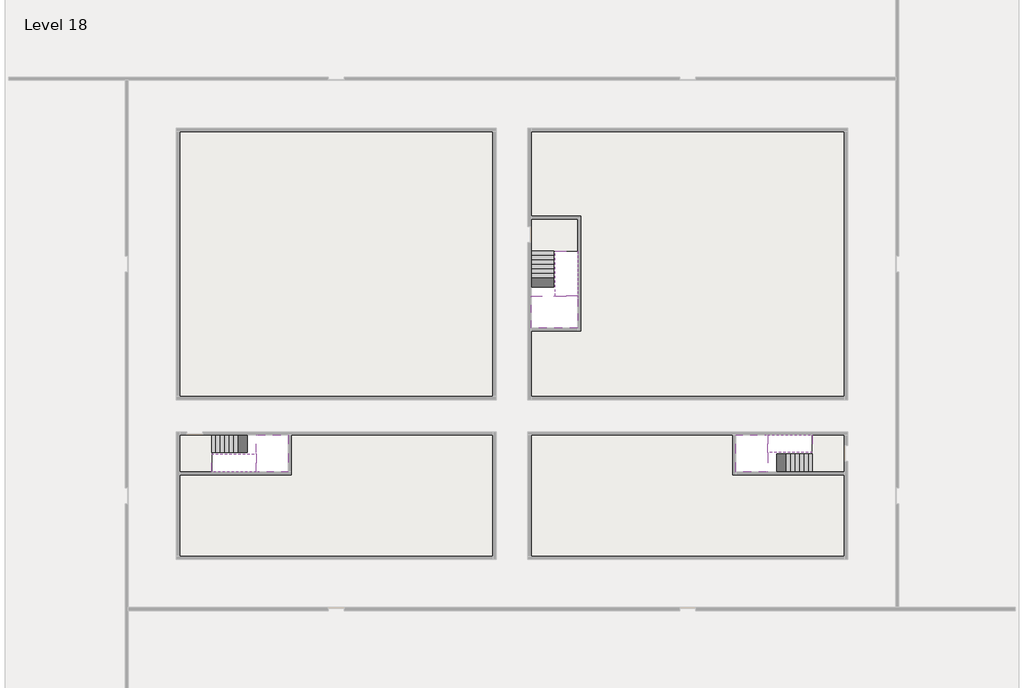
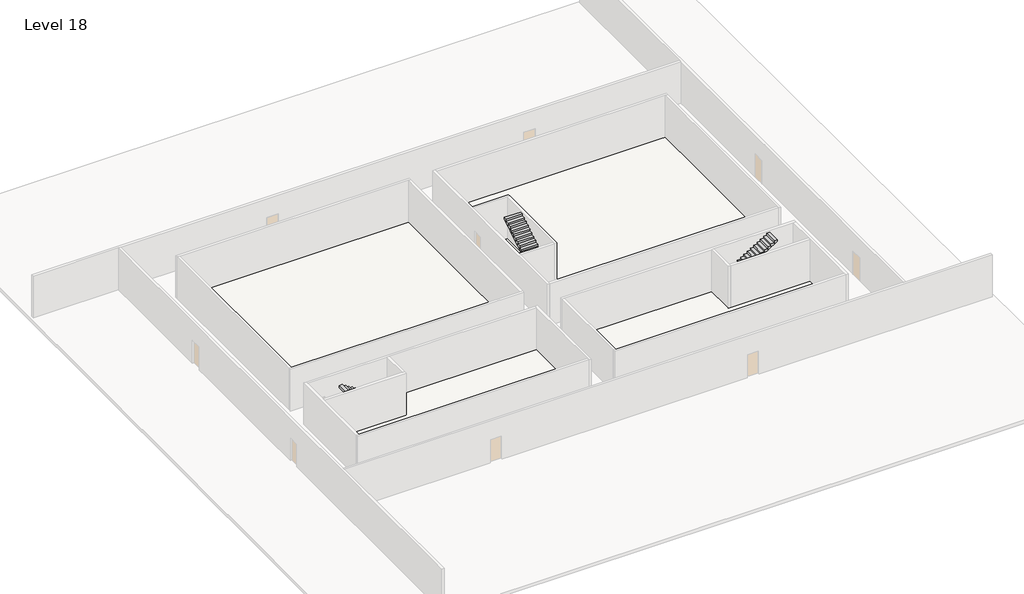
# One storey, part 2 of 2: 6 stair flights, 5 slabs.
"""IFC4 building model written with IfcOpenShell, lengths in millimetres."""

from ifc_helpers import new_model, si_unit, frame, origin, place, context, project, spatial, polyline, outline, extrude, faceted_brep, element, save

model = new_model("IFC4")

# Units and contexts
model_context = context("Model", 3, world=origin())
ifc_project = project(units=[si_unit("LENGTHUNIT", "METRE", prefix="MILLI")], contexts=[model_context])

# Site, building, storey
site = spatial("IfcSite", under=ifc_project)
building = spatial("IfcBuilding", under=site)
storey = spatial("IfcBuildingStorey", under=building, Name="Level 18", Elevation=64600.0)

# Slabs
placement = place(None, origin())
element("IfcSlab", 1, at=placement, inside=storey, context=model_context, shape_type="Brep", body=[
    faceted_brep([(8190.1058784, -42918.09644, 66500.0), (8190.1058784, -44018.09644, 66500.0), (8190.1058784, -44118.09644, 66500.0), (8190.1058784, -45218.09644, 66500.0), (8390.7194421, -45218.09644, 66500.0), (10190.1058784, -45218.09644, 66500.0), (10190.1058784, -42918.09644, 66500.0), (8269.4923146, -42918.09644, 66500.0), (8190.1058784, -42918.09644, 66327.2727273), (8190.1058784, -42918.09644, 66151.0278478), (8190.1058784, -44018.09644, 66151.0278478), (8190.1058784, -44018.09644, 66200.0), (8190.1058784, -44118.09644, 66200.0), (8190.1058784, -44118.09644, 66323.7551205), (8190.1058784, -45218.09644, 66323.7551205), (8390.7194421, -45218.09644, 66200.0), (10190.1058784, -45218.09644, 66200.0), (10190.1058784, -42918.09644, 66200.0), (8269.4923146, -42918.09644, 66200.0), (8390.7194421, -44118.09644, 66200.0), (8269.4923146, -44018.09644, 66200.0)], [[[0, 1, 2, 3, 4, 5, 6, 7]], [[1, 0, 8, 9, 10, 11]], [[2, 1, 11, 12, 13]], [[3, 2, 13, 14]], [[3, 14, 15, 16, 5, 4]], [[6, 5, 16, 17]], [[9, 8, 0, 7, 6, 17, 18]], [[19, 12, 11, 20, 18, 17, 16, 15]], [[12, 19, 13]], [[18, 20, 10, 9]], [[20, 11, 10]], [[19, 15, 14, 13]]]),
])
element("IfcSlab", 2, at=placement, inside=storey, context=model_context, shape_type="Brep", body=[
    faceted_brep([(40190.1058784, -45218.09644, 66500.0), (40190.1058784, -44118.09644, 66500.0), (40190.1058784, -44018.09644, 66500.0), (40190.1058784, -42918.09644, 66500.0), (39989.4923146, -42918.09644, 66500.0), (38190.1058784, -42918.09644, 66500.0), (38190.1058784, -45218.09644, 66500.0), (40110.7194421, -45218.09644, 66500.0), (40190.1058784, -45218.09644, 66327.2727273), (40190.1058784, -45218.09644, 66151.0278478), (40190.1058784, -44118.09644, 66151.0278478), (40190.1058784, -44118.09644, 66200.0), (40190.1058784, -44018.09644, 66200.0), (40190.1058784, -44018.09644, 66323.7551205), (40190.1058784, -42918.09644, 66323.7551205), (39989.4923146, -42918.09644, 66200.0), (38190.1058784, -42918.09644, 66200.0), (38190.1058784, -45218.09644, 66200.0), (40110.7194421, -45218.09644, 66200.0), (39989.4923146, -44018.09644, 66200.0), (40110.7194421, -44118.09644, 66200.0)], [[[0, 1, 2, 3, 4, 5, 6, 7]], [[1, 0, 8, 9, 10, 11]], [[2, 1, 11, 12, 13]], [[3, 2, 13, 14]], [[3, 14, 15, 16, 5, 4]], [[6, 5, 16, 17]], [[9, 8, 0, 7, 6, 17, 18]], [[19, 12, 11, 20, 18, 17, 16, 15]], [[12, 19, 13]], [[18, 20, 10, 9]], [[20, 11, 10]], [[19, 15, 14, 13]]]),
])
element("IfcSlab", 3, at=placement, inside=storey, context=model_context, shape_type="Brep", body=[
    faceted_brep([(26790.1058784, -34218.09644, 66500.0), (25390.1058784, -34218.09644, 66500.0), (25390.1058784, -34297.4828763, 66500.0), (25390.1058784, -36218.09644, 66500.0), (28290.1058784, -36218.09644, 66500.0), (28290.1058784, -34418.7100038, 66500.0), (28290.1058784, -34218.09644, 66500.0), (26890.1058784, -34218.09644, 66500.0), (26790.1058784, -34218.09644, 66200.0), (26790.1058784, -34218.09644, 66151.0278478), (25390.1058784, -34218.09644, 66151.0278478), (25390.1058784, -34218.09644, 66327.2727273), (25390.1058784, -34297.4828763, 66200.0), (25390.1058784, -36218.09644, 66200.0), (28290.1058784, -36218.09644, 66200.0), (28290.1058784, -34418.7100038, 66200.0), (28290.1058784, -34218.09644, 66323.7551205), (26890.1058784, -34218.09644, 66323.7551205), (26890.1058784, -34218.09644, 66200.0), (26890.1058784, -34418.7100038, 66200.0), (26790.1058784, -34297.4828763, 66200.0)], [[[0, 1, 2, 3, 4, 5, 6, 7]], [[1, 0, 8, 9, 10, 11]], [[1, 11, 10, 12, 13, 3, 2]], [[4, 3, 13, 14]], [[4, 14, 15, 16, 6, 5]], [[7, 6, 16, 17]], [[0, 7, 17, 18, 8]], [[18, 19, 15, 14, 13, 12, 20, 8]], [[19, 18, 17]], [[20, 12, 10, 9]], [[8, 20, 9]], [[15, 19, 17, 16]]]),
])
element("IfcSlab", 4, at=placement, inside=storey, context=model_context, shape_type="SweptSolid", body=[
    extrude(outline(polyline([(22990.1058784, -23918.09644), (22990.1058784, -40518.09644), (3390.1058784, -40518.09644), (3390.1058784, -23918.09644), (22990.1058784, -23918.09644)])), frame((0.0, 0.0, 64300.0), z_axis=(0.0, 0.0, 1.0), x_axis=(1.0, 0.0, 0.0)), (0.0, 0.0, 1.0), 300.0),
    extrude(outline(polyline([(44990.1058784, -23918.09644), (44990.1058784, -40518.09644), (25390.1058784, -40518.09644), (25390.1058784, -36418.09644), (28490.1058784, -36418.09644), (28490.1058784, -29218.09644), (25390.1058784, -29218.09644), (25390.1058784, -23918.09644), (44990.1058784, -23918.09644)])), frame((0.0, 0.0, 64300.0), z_axis=(0.0, 0.0, 1.0), x_axis=(1.0, 0.0, 0.0)), (0.0, 0.0, 1.0), 300.0),
    extrude(outline(polyline([(22990.1058784, -42918.09644), (22990.1058784, -50518.09644), (3390.1058784, -50518.09644), (3390.1058784, -45418.09644), (10390.1058784, -45418.09644), (10390.1058784, -42918.09644), (22990.1058784, -42918.09644)])), frame((0.0, 0.0, 64300.0), z_axis=(0.0, 0.0, 1.0), x_axis=(1.0, 0.0, 0.0)), (0.0, 0.0, 1.0), 300.0),
    extrude(outline(polyline([(37990.1058784, -42918.09644), (37990.1058784, -45418.09644), (44990.1058784, -45418.09644), (44990.1058784, -50518.09644), (25390.1058784, -50518.09644), (25390.1058784, -42918.09644), (37990.1058784, -42918.09644)])), frame((0.0, 0.0, 64300.0), z_axis=(0.0, 0.0, 1.0), x_axis=(1.0, 0.0, 0.0)), (0.0, 0.0, 1.0), 300.0),
])
element("IfcSlab", 5, at=placement, inside=storey, context=model_context, shape_type="SweptSolid", body=[
    extrude(outline(polyline([(44990.1058784, -42918.09644), (44990.1058784, -45218.09644), (42990.1058784, -45218.09644), (42990.1058784, -42918.09644), (44990.1058784, -42918.09644)])), frame((0.0, 0.0, 64300.0), z_axis=(0.0, 0.0, 1.0), x_axis=(1.0, 0.0, 0.0)), (0.0, 0.0, 1.0), 300.0),
    extrude(outline(polyline([(5390.1058784, -42918.09644), (5390.1058784, -45218.09644), (3390.1058784, -45218.09644), (3390.1058784, -42918.09644), (5390.1058784, -42918.09644)])), frame((0.0, 0.0, 64300.0), z_axis=(0.0, 0.0, 1.0), x_axis=(1.0, 0.0, 0.0)), (0.0, 0.0, 1.0), 300.0),
    extrude(outline(polyline([(28290.1058784, -29418.09644), (28290.1058784, -31418.09644), (25390.1058784, -31418.09644), (25390.1058784, -29418.09644), (28290.1058784, -29418.09644)])), frame((0.0, 0.0, 64300.0), z_axis=(0.0, 0.0, 1.0), x_axis=(1.0, 0.0, 0.0)), (0.0, 0.0, 1.0), 300.0),
])

# Stair flights
element("IfcStairFlight", 6, at=placement, inside=storey, context=model_context, shape_type="Brep", body=[
    faceted_brep([(5670.1058784, -42918.09644, 64772.7272727), (5390.1058784, -42918.09644, 64772.7272727), (5390.1058784, -44018.09644, 64772.7272727), (5670.1058784, -44018.09644, 64772.7272727), (5670.1058784, -42918.09644, 64600.0), (5390.1058784, -42918.09644, 64600.0), (5390.1058784, -44018.09644, 64600.0), (5670.1058784, -44018.09644, 64600.0), (5950.1058784, -42918.09644, 64945.4545455), (5670.1058784, -42918.09644, 64945.4545455), (5670.1058784, -44018.09644, 64945.4545455), (5950.1058784, -44018.09644, 64945.4545455), (5950.1058784, -42918.09644, 64769.209666), (5675.8081041, -42918.09644, 64600.0), (5675.8081041, -44018.09644, 64600.0), (5950.1058784, -44018.09644, 64769.209666), (6230.1058784, -42918.09644, 65118.1818182), (5950.1058784, -42918.09644, 65118.1818182), (5950.1058784, -44018.09644, 65118.1818182), (6230.1058784, -44018.09644, 65118.1818182), (6230.1058784, -42918.09644, 64941.9369387), (6230.1058784, -44018.09644, 64941.9369387), (6510.1058784, -42918.09644, 65290.9090909), (6230.1058784, -42918.09644, 65290.9090909), (6230.1058784, -44018.09644, 65290.9090909), (6510.1058784, -44018.09644, 65290.9090909), (6510.1058784, -42918.09644, 65114.6642114), (6510.1058784, -44018.09644, 65114.6642114), (6790.1058784, -42918.09644, 65463.6363636), (6510.1058784, -42918.09644, 65463.6363636), (6510.1058784, -44018.09644, 65463.6363636), (6790.1058784, -44018.09644, 65463.6363636), (6790.1058784, -42918.09644, 65287.3914841), (6790.1058784, -44018.09644, 65287.3914841), (7070.1058784, -42918.09644, 65636.3636364), (6790.1058784, -42918.09644, 65636.3636364), (6790.1058784, -44018.09644, 65636.3636364), (7070.1058784, -44018.09644, 65636.3636364), (7070.1058784, -42918.09644, 65460.1187569), (7070.1058784, -44018.09644, 65460.1187569), (7350.1058784, -42918.09644, 65809.0909091), (7070.1058784, -42918.09644, 65809.0909091), (7070.1058784, -44018.09644, 65809.0909091), (7350.1058784, -44018.09644, 65809.0909091), (7350.1058784, -42918.09644, 65632.8460296), (7350.1058784, -44018.09644, 65632.8460296), (7630.1058784, -42918.09644, 65981.8181818), (7350.1058784, -42918.09644, 65981.8181818), (7350.1058784, -44018.09644, 65981.8181818), (7630.1058784, -44018.09644, 65981.8181818), (7630.1058784, -42918.09644, 65805.5733023), (7630.1058784, -44018.09644, 65805.5733023), (7910.1058784, -42918.09644, 66154.5454545), (7630.1058784, -42918.09644, 66154.5454545), (7630.1058784, -44018.09644, 66154.5454545), (7910.1058784, -44018.09644, 66154.5454545), (7910.1058784, -42918.09644, 65978.3005751), (7910.1058784, -44018.09644, 65978.3005751), (8190.1058784, -42918.09644, 66327.2727273), (7910.1058784, -42918.09644, 66327.2727273), (7910.1058784, -44018.09644, 66327.2727273), (8190.1058784, -44018.09644, 66327.2727273), (8190.1058784, -42918.09644, 66151.0278478), (8190.1058784, -44018.09644, 66151.0278478), (8190.1058784, -44018.09644, 66200.0)], [[[0, 1, 2, 3]], [[1, 0, 4, 5]], [[2, 1, 5, 6]], [[3, 2, 6, 7]], [[8, 9, 10, 11]], [[4, 0, 9, 8, 12, 13]], [[0, 3, 10, 9]], [[3, 7, 14, 15, 11, 10]], [[16, 17, 18, 19]], [[17, 16, 20, 12, 8]], [[8, 11, 18, 17]], [[19, 18, 11, 15, 21]], [[22, 23, 24, 25]], [[23, 22, 26, 20, 16]], [[16, 19, 24, 23]], [[25, 24, 19, 21, 27]], [[28, 29, 30, 31]], [[29, 28, 32, 26, 22]], [[22, 25, 30, 29]], [[31, 30, 25, 27, 33]], [[34, 35, 36, 37]], [[35, 34, 38, 32, 28]], [[28, 31, 36, 35]], [[37, 36, 31, 33, 39]], [[40, 41, 42, 43]], [[41, 40, 44, 38, 34]], [[34, 37, 42, 41]], [[43, 42, 37, 39, 45]], [[46, 47, 48, 49]], [[47, 46, 50, 44, 40]], [[40, 43, 48, 47]], [[49, 48, 43, 45, 51]], [[52, 53, 54, 55]], [[53, 52, 56, 50, 46]], [[46, 49, 54, 53]], [[55, 54, 49, 51, 57]], [[58, 59, 60, 61]], [[59, 58, 62, 56, 52]], [[52, 55, 60, 59]], [[61, 60, 55, 57, 63, 64]], [[58, 61, 64, 63, 62]], [[5, 4, 13, 14, 7, 6]], [[14, 13, 12, 20, 26, 32, 38, 44, 50, 56, 62, 63, 57, 51, 45, 39, 33, 27, 21, 15]]]),
])
element("IfcStairFlight", 7, at=placement, inside=storey, context=model_context, shape_type="Brep", body=[
    faceted_brep([(7910.1058784, -45218.09644, 66672.7272727), (8190.1058784, -45218.09644, 66672.7272727), (8190.1058784, -44118.09644, 66672.7272727), (7910.1058784, -44118.09644, 66672.7272727), (7910.1058784, -45218.09644, 66496.4823932), (8190.1058784, -45218.09644, 66323.7551205), (8190.1058784, -45218.09644, 66500.0), (8190.1058784, -44118.09644, 66323.7551205), (7910.1058784, -44118.09644, 66496.4823932), (7630.1058784, -45218.09644, 66845.4545455), (7910.1058784, -45218.09644, 66845.4545455), (7910.1058784, -44118.09644, 66845.4545455), (7630.1058784, -44118.09644, 66845.4545455), (7630.1058784, -45218.09644, 66669.209666), (7630.1058784, -44118.09644, 66669.209666), (7350.1058784, -45218.09644, 67018.1818182), (7630.1058784, -45218.09644, 67018.1818182), (7630.1058784, -44118.09644, 67018.1818182), (7350.1058784, -44118.09644, 67018.1818182), (7350.1058784, -45218.09644, 66841.9369387), (7350.1058784, -44118.09644, 66841.9369387), (7070.1058784, -45218.09644, 67190.9090909), (7350.1058784, -45218.09644, 67190.9090909), (7350.1058784, -44118.09644, 67190.9090909), (7070.1058784, -44118.09644, 67190.9090909), (7070.1058784, -45218.09644, 67014.6642114), (7070.1058784, -44118.09644, 67014.6642114), (6790.1058784, -45218.09644, 67363.6363636), (7070.1058784, -45218.09644, 67363.6363636), (7070.1058784, -44118.09644, 67363.6363636), (6790.1058784, -44118.09644, 67363.6363636), (6790.1058784, -45218.09644, 67187.3914841), (6790.1058784, -44118.09644, 67187.3914841), (6510.1058784, -45218.09644, 67536.3636364), (6790.1058784, -45218.09644, 67536.3636364), (6790.1058784, -44118.09644, 67536.3636364), (6510.1058784, -44118.09644, 67536.3636364), (6510.1058784, -45218.09644, 67360.1187569), (6510.1058784, -44118.09644, 67360.1187569), (6230.1058784, -45218.09644, 67709.0909091), (6510.1058784, -45218.09644, 67709.0909091), (6510.1058784, -44118.09644, 67709.0909091), (6230.1058784, -44118.09644, 67709.0909091), (6230.1058784, -45218.09644, 67532.8460296), (6230.1058784, -44118.09644, 67532.8460296), (5950.1058784, -45218.09644, 67881.8181818), (6230.1058784, -45218.09644, 67881.8181818), (6230.1058784, -44118.09644, 67881.8181818), (5950.1058784, -44118.09644, 67881.8181818), (5950.1058784, -45218.09644, 67705.5733023), (5950.1058784, -44118.09644, 67705.5733023), (5670.1058784, -45218.09644, 68054.5454545), (5950.1058784, -45218.09644, 68054.5454545), (5950.1058784, -44118.09644, 68054.5454545), (5670.1058784, -44118.09644, 68054.5454545), (5670.1058784, -45218.09644, 67878.3005751), (5670.1058784, -44118.09644, 67878.3005751), (5390.1058784, -45218.09644, 68227.2727273), (5670.1058784, -45218.09644, 68227.2727273), (5670.1058784, -44118.09644, 68227.2727273), (5390.1058784, -44118.09644, 68227.2727273), (5390.1058784, -45218.09644, 68051.0278478), (5390.1058784, -44118.09644, 68051.0278478)], [[[0, 1, 2, 3]], [[1, 0, 4, 5, 6]], [[2, 1, 6, 5, 7]], [[3, 2, 7, 8]], [[9, 10, 11, 12]], [[10, 9, 13, 4, 0]], [[11, 10, 0, 3]], [[12, 11, 3, 8, 14]], [[15, 16, 17, 18]], [[16, 15, 19, 13, 9]], [[17, 16, 9, 12]], [[18, 17, 12, 14, 20]], [[21, 22, 23, 24]], [[22, 21, 25, 19, 15]], [[23, 22, 15, 18]], [[24, 23, 18, 20, 26]], [[27, 28, 29, 30]], [[28, 27, 31, 25, 21]], [[29, 28, 21, 24]], [[30, 29, 24, 26, 32]], [[33, 34, 35, 36]], [[34, 33, 37, 31, 27]], [[35, 34, 27, 30]], [[36, 35, 30, 32, 38]], [[39, 40, 41, 42]], [[40, 39, 43, 37, 33]], [[41, 40, 33, 36]], [[42, 41, 36, 38, 44]], [[45, 46, 47, 48]], [[46, 45, 49, 43, 39]], [[47, 46, 39, 42]], [[48, 47, 42, 44, 50]], [[51, 52, 53, 54]], [[52, 51, 55, 49, 45]], [[53, 52, 45, 48]], [[54, 53, 48, 50, 56]], [[57, 58, 59, 60]], [[58, 57, 61, 55, 51]], [[59, 58, 51, 54]], [[60, 59, 54, 56, 62]], [[57, 60, 62, 61]], [[5, 4, 13, 19, 25, 31, 37, 43, 49, 55, 61, 62, 56, 50, 44, 38, 32, 26, 20, 14, 8, 7]]]),
])
element("IfcStairFlight", 8, at=placement, inside=storey, context=model_context, shape_type="Brep", body=[
    faceted_brep([(42710.1058784, -45218.09644, 64772.7272727), (42990.1058784, -45218.09644, 64772.7272727), (42990.1058784, -44118.09644, 64772.7272727), (42710.1058784, -44118.09644, 64772.7272727), (42710.1058784, -45218.09644, 64600.0), (42990.1058784, -45218.09644, 64600.0), (42990.1058784, -44118.09644, 64600.0), (42710.1058784, -44118.09644, 64600.0), (42430.1058784, -45218.09644, 64945.4545455), (42710.1058784, -45218.09644, 64945.4545455), (42710.1058784, -44118.09644, 64945.4545455), (42430.1058784, -44118.09644, 64945.4545455), (42430.1058784, -45218.09644, 64769.209666), (42704.4036527, -45218.09644, 64600.0), (42704.4036527, -44118.09644, 64600.0), (42430.1058784, -44118.09644, 64769.209666), (42150.1058784, -45218.09644, 65118.1818182), (42430.1058784, -45218.09644, 65118.1818182), (42430.1058784, -44118.09644, 65118.1818182), (42150.1058784, -44118.09644, 65118.1818182), (42150.1058784, -45218.09644, 64941.9369387), (42150.1058784, -44118.09644, 64941.9369387), (41870.1058784, -45218.09644, 65290.9090909), (42150.1058784, -45218.09644, 65290.9090909), (42150.1058784, -44118.09644, 65290.9090909), (41870.1058784, -44118.09644, 65290.9090909), (41870.1058784, -45218.09644, 65114.6642114), (41870.1058784, -44118.09644, 65114.6642114), (41590.1058784, -45218.09644, 65463.6363636), (41870.1058784, -45218.09644, 65463.6363636), (41870.1058784, -44118.09644, 65463.6363636), (41590.1058784, -44118.09644, 65463.6363636), (41590.1058784, -45218.09644, 65287.3914841), (41590.1058784, -44118.09644, 65287.3914841), (41310.1058784, -45218.09644, 65636.3636364), (41590.1058784, -45218.09644, 65636.3636364), (41590.1058784, -44118.09644, 65636.3636364), (41310.1058784, -44118.09644, 65636.3636364), (41310.1058784, -45218.09644, 65460.1187569), (41310.1058784, -44118.09644, 65460.1187569), (41030.1058784, -45218.09644, 65809.0909091), (41310.1058784, -45218.09644, 65809.0909091), (41310.1058784, -44118.09644, 65809.0909091), (41030.1058784, -44118.09644, 65809.0909091), (41030.1058784, -45218.09644, 65632.8460296), (41030.1058784, -44118.09644, 65632.8460296), (40750.1058784, -45218.09644, 65981.8181818), (41030.1058784, -45218.09644, 65981.8181818), (41030.1058784, -44118.09644, 65981.8181818), (40750.1058784, -44118.09644, 65981.8181818), (40750.1058784, -45218.09644, 65805.5733023), (40750.1058784, -44118.09644, 65805.5733023), (40470.1058784, -45218.09644, 66154.5454545), (40750.1058784, -45218.09644, 66154.5454545), (40750.1058784, -44118.09644, 66154.5454545), (40470.1058784, -44118.09644, 66154.5454545), (40470.1058784, -45218.09644, 65978.3005751), (40470.1058784, -44118.09644, 65978.3005751), (40190.1058784, -45218.09644, 66327.2727273), (40470.1058784, -45218.09644, 66327.2727273), (40470.1058784, -44118.09644, 66327.2727273), (40190.1058784, -44118.09644, 66327.2727273), (40190.1058784, -45218.09644, 66151.0278478), (40190.1058784, -44118.09644, 66151.0278478), (40190.1058784, -44118.09644, 66200.0)], [[[0, 1, 2, 3]], [[1, 0, 4, 5]], [[2, 1, 5, 6]], [[3, 2, 6, 7]], [[8, 9, 10, 11]], [[4, 0, 9, 8, 12, 13]], [[0, 3, 10, 9]], [[3, 7, 14, 15, 11, 10]], [[16, 17, 18, 19]], [[17, 16, 20, 12, 8]], [[8, 11, 18, 17]], [[19, 18, 11, 15, 21]], [[22, 23, 24, 25]], [[23, 22, 26, 20, 16]], [[16, 19, 24, 23]], [[25, 24, 19, 21, 27]], [[28, 29, 30, 31]], [[29, 28, 32, 26, 22]], [[22, 25, 30, 29]], [[31, 30, 25, 27, 33]], [[34, 35, 36, 37]], [[35, 34, 38, 32, 28]], [[28, 31, 36, 35]], [[37, 36, 31, 33, 39]], [[40, 41, 42, 43]], [[41, 40, 44, 38, 34]], [[34, 37, 42, 41]], [[43, 42, 37, 39, 45]], [[46, 47, 48, 49]], [[47, 46, 50, 44, 40]], [[40, 43, 48, 47]], [[49, 48, 43, 45, 51]], [[52, 53, 54, 55]], [[53, 52, 56, 50, 46]], [[46, 49, 54, 53]], [[55, 54, 49, 51, 57]], [[58, 59, 60, 61]], [[59, 58, 62, 56, 52]], [[52, 55, 60, 59]], [[61, 60, 55, 57, 63, 64]], [[58, 61, 64, 63, 62]], [[5, 4, 13, 14, 7, 6]], [[14, 13, 12, 20, 26, 32, 38, 44, 50, 56, 62, 63, 57, 51, 45, 39, 33, 27, 21, 15]]]),
])
element("IfcStairFlight", 9, at=placement, inside=storey, context=model_context, shape_type="Brep", body=[
    faceted_brep([(40470.1058784, -42918.09644, 66672.7272727), (40190.1058784, -42918.09644, 66672.7272727), (40190.1058784, -44018.09644, 66672.7272727), (40470.1058784, -44018.09644, 66672.7272727), (40470.1058784, -42918.09644, 66496.4823932), (40190.1058784, -42918.09644, 66323.7551205), (40190.1058784, -42918.09644, 66500.0), (40190.1058784, -44018.09644, 66323.7551205), (40470.1058784, -44018.09644, 66496.4823932), (40750.1058784, -42918.09644, 66845.4545455), (40470.1058784, -42918.09644, 66845.4545455), (40470.1058784, -44018.09644, 66845.4545455), (40750.1058784, -44018.09644, 66845.4545455), (40750.1058784, -42918.09644, 66669.209666), (40750.1058784, -44018.09644, 66669.209666), (41030.1058784, -42918.09644, 67018.1818182), (40750.1058784, -42918.09644, 67018.1818182), (40750.1058784, -44018.09644, 67018.1818182), (41030.1058784, -44018.09644, 67018.1818182), (41030.1058784, -42918.09644, 66841.9369387), (41030.1058784, -44018.09644, 66841.9369387), (41310.1058784, -42918.09644, 67190.9090909), (41030.1058784, -42918.09644, 67190.9090909), (41030.1058784, -44018.09644, 67190.9090909), (41310.1058784, -44018.09644, 67190.9090909), (41310.1058784, -42918.09644, 67014.6642114), (41310.1058784, -44018.09644, 67014.6642114), (41590.1058784, -42918.09644, 67363.6363636), (41310.1058784, -42918.09644, 67363.6363636), (41310.1058784, -44018.09644, 67363.6363636), (41590.1058784, -44018.09644, 67363.6363636), (41590.1058784, -42918.09644, 67187.3914841), (41590.1058784, -44018.09644, 67187.3914841), (41870.1058784, -42918.09644, 67536.3636364), (41590.1058784, -42918.09644, 67536.3636364), (41590.1058784, -44018.09644, 67536.3636364), (41870.1058784, -44018.09644, 67536.3636364), (41870.1058784, -42918.09644, 67360.1187569), (41870.1058784, -44018.09644, 67360.1187569), (42150.1058784, -42918.09644, 67709.0909091), (41870.1058784, -42918.09644, 67709.0909091), (41870.1058784, -44018.09644, 67709.0909091), (42150.1058784, -44018.09644, 67709.0909091), (42150.1058784, -42918.09644, 67532.8460296), (42150.1058784, -44018.09644, 67532.8460296), (42430.1058784, -42918.09644, 67881.8181818), (42150.1058784, -42918.09644, 67881.8181818), (42150.1058784, -44018.09644, 67881.8181818), (42430.1058784, -44018.09644, 67881.8181818), (42430.1058784, -42918.09644, 67705.5733023), (42430.1058784, -44018.09644, 67705.5733023), (42710.1058784, -42918.09644, 68054.5454545), (42430.1058784, -42918.09644, 68054.5454545), (42430.1058784, -44018.09644, 68054.5454545), (42710.1058784, -44018.09644, 68054.5454545), (42710.1058784, -42918.09644, 67878.3005751), (42710.1058784, -44018.09644, 67878.3005751), (42990.1058784, -42918.09644, 68227.2727273), (42710.1058784, -42918.09644, 68227.2727273), (42710.1058784, -44018.09644, 68227.2727273), (42990.1058784, -44018.09644, 68227.2727273), (42990.1058784, -42918.09644, 68051.0278478), (42990.1058784, -44018.09644, 68051.0278478)], [[[0, 1, 2, 3]], [[1, 0, 4, 5, 6]], [[2, 1, 6, 5, 7]], [[3, 2, 7, 8]], [[9, 10, 11, 12]], [[10, 9, 13, 4, 0]], [[11, 10, 0, 3]], [[12, 11, 3, 8, 14]], [[15, 16, 17, 18]], [[16, 15, 19, 13, 9]], [[17, 16, 9, 12]], [[18, 17, 12, 14, 20]], [[21, 22, 23, 24]], [[22, 21, 25, 19, 15]], [[23, 22, 15, 18]], [[24, 23, 18, 20, 26]], [[27, 28, 29, 30]], [[28, 27, 31, 25, 21]], [[29, 28, 21, 24]], [[30, 29, 24, 26, 32]], [[33, 34, 35, 36]], [[34, 33, 37, 31, 27]], [[35, 34, 27, 30]], [[36, 35, 30, 32, 38]], [[39, 40, 41, 42]], [[40, 39, 43, 37, 33]], [[41, 40, 33, 36]], [[42, 41, 36, 38, 44]], [[45, 46, 47, 48]], [[46, 45, 49, 43, 39]], [[47, 46, 39, 42]], [[48, 47, 42, 44, 50]], [[51, 52, 53, 54]], [[52, 51, 55, 49, 45]], [[53, 52, 45, 48]], [[54, 53, 48, 50, 56]], [[57, 58, 59, 60]], [[58, 57, 61, 55, 51]], [[59, 58, 51, 54]], [[60, 59, 54, 56, 62]], [[57, 60, 62, 61]], [[5, 4, 13, 19, 25, 31, 37, 43, 49, 55, 61, 62, 56, 50, 44, 38, 32, 26, 20, 14, 8, 7]]]),
])
element("IfcStairFlight", 10, at=placement, inside=storey, context=model_context, shape_type="Brep", body=[
    faceted_brep([(26790.1058784, -31698.09644, 64772.7272727), (26790.1058784, -31418.09644, 64772.7272727), (25390.1058784, -31418.09644, 64772.7272727), (25390.1058784, -31698.09644, 64772.7272727), (26790.1058784, -31698.09644, 64600.0), (26790.1058784, -31418.09644, 64600.0), (25390.1058784, -31418.09644, 64600.0), (25390.1058784, -31698.09644, 64600.0), (26790.1058784, -31978.09644, 64945.4545455), (26790.1058784, -31698.09644, 64945.4545455), (25390.1058784, -31698.09644, 64945.4545455), (25390.1058784, -31978.09644, 64945.4545455), (26790.1058784, -31978.09644, 64769.209666), (26790.1058784, -31703.7986657, 64600.0), (25390.1058784, -31703.7986657, 64600.0), (25390.1058784, -31978.09644, 64769.209666), (26790.1058784, -32258.09644, 65118.1818182), (26790.1058784, -31978.09644, 65118.1818182), (25390.1058784, -31978.09644, 65118.1818182), (25390.1058784, -32258.09644, 65118.1818182), (26790.1058784, -32258.09644, 64941.9369387), (25390.1058784, -32258.09644, 64941.9369387), (26790.1058784, -32538.09644, 65290.9090909), (26790.1058784, -32258.09644, 65290.9090909), (25390.1058784, -32258.09644, 65290.9090909), (25390.1058784, -32538.09644, 65290.9090909), (26790.1058784, -32538.09644, 65114.6642114), (25390.1058784, -32538.09644, 65114.6642114), (26790.1058784, -32818.09644, 65463.6363636), (26790.1058784, -32538.09644, 65463.6363636), (25390.1058784, -32538.09644, 65463.6363636), (25390.1058784, -32818.09644, 65463.6363636), (26790.1058784, -32818.09644, 65287.3914841), (25390.1058784, -32818.09644, 65287.3914841), (26790.1058784, -33098.09644, 65636.3636364), (26790.1058784, -32818.09644, 65636.3636364), (25390.1058784, -32818.09644, 65636.3636364), (25390.1058784, -33098.09644, 65636.3636364), (26790.1058784, -33098.09644, 65460.1187569), (25390.1058784, -33098.09644, 65460.1187569), (26790.1058784, -33378.09644, 65809.0909091), (26790.1058784, -33098.09644, 65809.0909091), (25390.1058784, -33098.09644, 65809.0909091), (25390.1058784, -33378.09644, 65809.0909091), (26790.1058784, -33378.09644, 65632.8460296), (25390.1058784, -33378.09644, 65632.8460296), (26790.1058784, -33658.09644, 65981.8181818), (26790.1058784, -33378.09644, 65981.8181818), (25390.1058784, -33378.09644, 65981.8181818), (25390.1058784, -33658.09644, 65981.8181818), (26790.1058784, -33658.09644, 65805.5733023), (25390.1058784, -33658.09644, 65805.5733023), (26790.1058784, -33938.09644, 66154.5454545), (26790.1058784, -33658.09644, 66154.5454545), (25390.1058784, -33658.09644, 66154.5454545), (25390.1058784, -33938.09644, 66154.5454545), (26790.1058784, -33938.09644, 65978.3005751), (25390.1058784, -33938.09644, 65978.3005751), (26790.1058784, -34218.09644, 66327.2727273), (26790.1058784, -33938.09644, 66327.2727273), (25390.1058784, -33938.09644, 66327.2727273), (25390.1058784, -34218.09644, 66327.2727273), (26790.1058784, -34218.09644, 66200.0), (26790.1058784, -34218.09644, 66151.0278478), (25390.1058784, -34218.09644, 66151.0278478)], [[[0, 1, 2, 3]], [[1, 0, 4, 5]], [[2, 1, 5, 6]], [[3, 2, 6, 7]], [[8, 9, 10, 11]], [[4, 0, 9, 8, 12, 13]], [[0, 3, 10, 9]], [[3, 7, 14, 15, 11, 10]], [[16, 17, 18, 19]], [[17, 16, 20, 12, 8]], [[8, 11, 18, 17]], [[19, 18, 11, 15, 21]], [[22, 23, 24, 25]], [[23, 22, 26, 20, 16]], [[16, 19, 24, 23]], [[25, 24, 19, 21, 27]], [[28, 29, 30, 31]], [[29, 28, 32, 26, 22]], [[22, 25, 30, 29]], [[31, 30, 25, 27, 33]], [[34, 35, 36, 37]], [[35, 34, 38, 32, 28]], [[28, 31, 36, 35]], [[37, 36, 31, 33, 39]], [[40, 41, 42, 43]], [[41, 40, 44, 38, 34]], [[34, 37, 42, 41]], [[43, 42, 37, 39, 45]], [[46, 47, 48, 49]], [[47, 46, 50, 44, 40]], [[40, 43, 48, 47]], [[49, 48, 43, 45, 51]], [[52, 53, 54, 55]], [[53, 52, 56, 50, 46]], [[46, 49, 54, 53]], [[55, 54, 49, 51, 57]], [[58, 59, 60, 61]], [[59, 58, 62, 63, 56, 52]], [[52, 55, 60, 59]], [[61, 60, 55, 57, 64]], [[58, 61, 64, 63, 62]], [[5, 4, 13, 14, 7, 6]], [[14, 13, 12, 20, 26, 32, 38, 44, 50, 56, 63, 64, 57, 51, 45, 39, 33, 27, 21, 15]]]),
])
element("IfcStairFlight", 11, at=placement, inside=storey, context=model_context, shape_type="Brep", body=[
    faceted_brep([(26890.1058784, -33938.09644, 66672.7272727), (26890.1058784, -34218.09644, 66672.7272727), (28290.1058784, -34218.09644, 66672.7272727), (28290.1058784, -33938.09644, 66672.7272727), (26890.1058784, -33938.09644, 66496.4823932), (26890.1058784, -34218.09644, 66323.7551205), (28290.1058784, -34218.09644, 66323.7551205), (28290.1058784, -34218.09644, 66500.0), (28290.1058784, -33938.09644, 66496.4823932), (26890.1058784, -33658.09644, 66845.4545455), (26890.1058784, -33938.09644, 66845.4545455), (28290.1058784, -33938.09644, 66845.4545455), (28290.1058784, -33658.09644, 66845.4545455), (26890.1058784, -33658.09644, 66669.209666), (28290.1058784, -33658.09644, 66669.209666), (26890.1058784, -33378.09644, 67018.1818182), (26890.1058784, -33658.09644, 67018.1818182), (28290.1058784, -33658.09644, 67018.1818182), (28290.1058784, -33378.09644, 67018.1818182), (26890.1058784, -33378.09644, 66841.9369387), (28290.1058784, -33378.09644, 66841.9369387), (26890.1058784, -33098.09644, 67190.9090909), (26890.1058784, -33378.09644, 67190.9090909), (28290.1058784, -33378.09644, 67190.9090909), (28290.1058784, -33098.09644, 67190.9090909), (26890.1058784, -33098.09644, 67014.6642114), (28290.1058784, -33098.09644, 67014.6642114), (26890.1058784, -32818.09644, 67363.6363636), (26890.1058784, -33098.09644, 67363.6363636), (28290.1058784, -33098.09644, 67363.6363636), (28290.1058784, -32818.09644, 67363.6363636), (26890.1058784, -32818.09644, 67187.3914841), (28290.1058784, -32818.09644, 67187.3914841), (26890.1058784, -32538.09644, 67536.3636364), (26890.1058784, -32818.09644, 67536.3636364), (28290.1058784, -32818.09644, 67536.3636364), (28290.1058784, -32538.09644, 67536.3636364), (26890.1058784, -32538.09644, 67360.1187569), (28290.1058784, -32538.09644, 67360.1187569), (26890.1058784, -32258.09644, 67709.0909091), (26890.1058784, -32538.09644, 67709.0909091), (28290.1058784, -32538.09644, 67709.0909091), (28290.1058784, -32258.09644, 67709.0909091), (26890.1058784, -32258.09644, 67532.8460296), (28290.1058784, -32258.09644, 67532.8460296), (26890.1058784, -31978.09644, 67881.8181818), (26890.1058784, -32258.09644, 67881.8181818), (28290.1058784, -32258.09644, 67881.8181818), (28290.1058784, -31978.09644, 67881.8181818), (26890.1058784, -31978.09644, 67705.5733023), (28290.1058784, -31978.09644, 67705.5733023), (26890.1058784, -31698.09644, 68054.5454545), (26890.1058784, -31978.09644, 68054.5454545), (28290.1058784, -31978.09644, 68054.5454545), (28290.1058784, -31698.09644, 68054.5454545), (26890.1058784, -31698.09644, 67878.3005751), (28290.1058784, -31698.09644, 67878.3005751), (26890.1058784, -31418.09644, 68227.2727273), (26890.1058784, -31698.09644, 68227.2727273), (28290.1058784, -31698.09644, 68227.2727273), (28290.1058784, -31418.09644, 68227.2727273), (26890.1058784, -31418.09644, 68051.0278478), (28290.1058784, -31418.09644, 68051.0278478)], [[[0, 1, 2, 3]], [[1, 0, 4, 5]], [[2, 1, 5, 6, 7]], [[3, 2, 7, 6, 8]], [[9, 10, 11, 12]], [[10, 9, 13, 4, 0]], [[11, 10, 0, 3]], [[12, 11, 3, 8, 14]], [[15, 16, 17, 18]], [[16, 15, 19, 13, 9]], [[17, 16, 9, 12]], [[18, 17, 12, 14, 20]], [[21, 22, 23, 24]], [[22, 21, 25, 19, 15]], [[23, 22, 15, 18]], [[24, 23, 18, 20, 26]], [[27, 28, 29, 30]], [[28, 27, 31, 25, 21]], [[29, 28, 21, 24]], [[30, 29, 24, 26, 32]], [[33, 34, 35, 36]], [[34, 33, 37, 31, 27]], [[35, 34, 27, 30]], [[36, 35, 30, 32, 38]], [[39, 40, 41, 42]], [[40, 39, 43, 37, 33]], [[41, 40, 33, 36]], [[42, 41, 36, 38, 44]], [[45, 46, 47, 48]], [[46, 45, 49, 43, 39]], [[47, 46, 39, 42]], [[48, 47, 42, 44, 50]], [[51, 52, 53, 54]], [[52, 51, 55, 49, 45]], [[53, 52, 45, 48]], [[54, 53, 48, 50, 56]], [[57, 58, 59, 60]], [[58, 57, 61, 55, 51]], [[59, 58, 51, 54]], [[60, 59, 54, 56, 62]], [[57, 60, 62, 61]], [[5, 4, 13, 19, 25, 31, 37, 43, 49, 55, 61, 62, 56, 50, 44, 38, 32, 26, 20, 14, 8, 6]]]),
])

save(model, "model.ifc")
